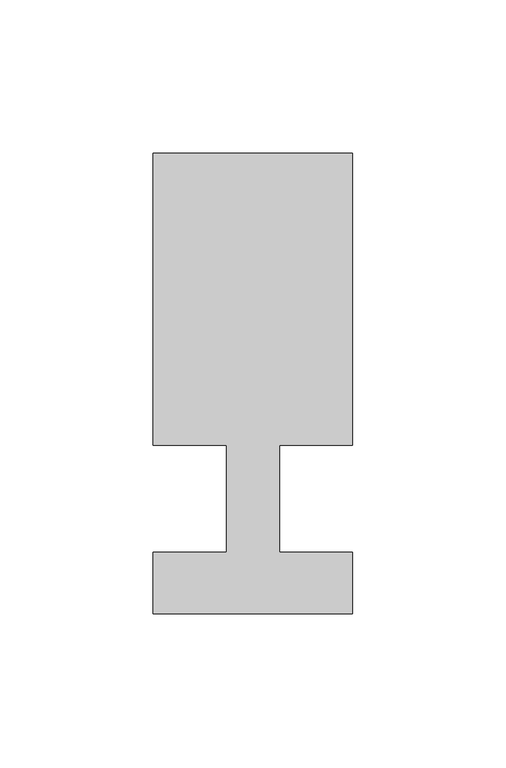
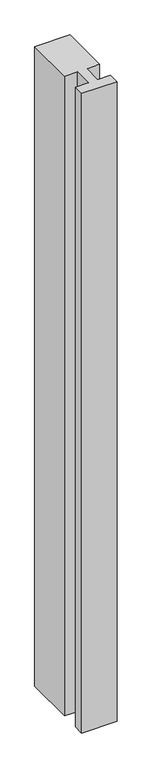
"""IFC4 building model written with IfcOpenShell, lengths in millimetres: member geometry."""

import ifcopenshell
import ifcopenshell.guid

model = None  # the IFC model being written
_history = None  # IfcOwnerHistory: only IFC2X3 demands one
_inside = {}  # id of a spatial element -> (the spatial element, [elements in it])
_under = {}  # id of a project, library or spatial element -> (it, [spatial elements below it])
_declared = {}  # id of a project -> (the project, [libraries it declares])
_typed = {}  # id of a type object -> (the type object, [elements of that type])
_made_of = {}  # id of a material, layer set ... -> (it, [elements and type objects made of it])


def new_model(schema):
    """Start an empty IFC model of exactly this schema.

    Asked for "IFC4X3", IfcOpenShell would pick the latest addendum, in which some entities
    have other attributes; the version numbers below select the first issue.
    IFC2X3 requires an IfcOwnerHistory on every rooted entity: one is made here for all.
    """
    global model, _history
    if schema == "IFC4X3":
        model = ifcopenshell.file(schema_version=(4, 3, 0, 0))
    else:
        model = ifcopenshell.file(schema=schema)
    _inside.clear()
    _under.clear()
    _declared.clear()
    _typed.clear()
    _made_of.clear()
    _history = None
    if model.schema == "IFC2X3":
        org = make("IfcOrganization", Name="unknown")
        user = make(
            "IfcPersonAndOrganization",
            ThePerson=make("IfcPerson", FamilyName="unknown"),
            TheOrganization=org,
        )
        app = make(
            "IfcApplication",
            ApplicationDeveloper=org,
            Version="unknown",
            ApplicationFullName="unknown",
            ApplicationIdentifier="unknown",
        )
        _history = make(
            "IfcOwnerHistory",
            OwningUser=user,
            OwningApplication=app,
            ChangeAction="ADDED",
            CreationDate=0,
        )
    return model


def make(cls, **values):
    """One entity of the class cls with the attributes given. An attribute that is None is left unset."""
    return model.create_entity(
        cls, **{name: value for name, value in values.items() if value is not None}
    )


def rooted(cls, **values):
    """An entity with a GlobalId (a new one), such as an element, a storey or a relation."""
    return make(cls, GlobalId=ifcopenshell.guid.new(), OwnerHistory=_history, **values)


def si_unit(unit_type, name, prefix=None):
    """IfcSIUnit, for example si_unit("LENGTHUNIT", "METRE", prefix="MILLI")."""
    return make("IfcSIUnit", UnitType=unit_type, Prefix=prefix, Name=name)


def assignment(units):
    """IfcUnitAssignment: the units of a project."""
    return None if units is None else make("IfcUnitAssignment", Units=units)


def point(xyz):
    """IfcCartesianPoint."""
    return None if xyz is None else make("IfcCartesianPoint", Coordinates=xyz)


def direction(xyz):
    """IfcDirection."""
    return None if xyz is None else make("IfcDirection", DirectionRatios=xyz)


def frame(location, z_axis=None, x_axis=None):
    """IfcAxis2Placement3D, a coordinate frame: its origin and axes. An axis left out is left unset."""
    return make(
        "IfcAxis2Placement3D",
        Location=point(location),
        Axis=direction(z_axis),
        RefDirection=direction(x_axis),
    )


def origin():
    """The frame at (0, 0, 0) with its axes left unset."""
    return frame((0.0, 0.0, 0.0))


def place(relative_to, where):
    """IfcLocalPlacement: puts the frame where relative to a parent placement (None: the world)."""
    return make(
        "IfcLocalPlacement", PlacementRelTo=relative_to, RelativePlacement=where
    )


def context(
    kind, dimensions, precision=None, world=None, true_north=None, identifier=None
):
    """IfcGeometricRepresentationContext, for example the 3D "Model" context."""
    return make(
        "IfcGeometricRepresentationContext",
        ContextIdentifier=identifier,
        ContextType=kind,
        CoordinateSpaceDimension=dimensions,
        Precision=precision,
        WorldCoordinateSystem=world,
        TrueNorth=true_north,
    )


def project(units=None, contexts=None):
    """IfcProject with its units and contexts."""
    return rooted(
        "IfcProject",
        Name="project",
        RepresentationContexts=contexts,
        UnitsInContext=assignment(units),
    )


def spatial(cls, under=None, at=None, **own):
    """A site, building, storey or space (cls), placed at a placement, below another one or the project."""
    s = rooted(cls, ObjectPlacement=at, **own)
    if under is not None:
        _under.setdefault(under.id(), (under, []))[1].append(s)
    return s


def polyline(points):
    """IfcPolyline through the points."""
    return make("IfcPolyline", Points=[point(p) for p in points])


def outline(outer, holes=None, kind="AREA"):
    """IfcArbitraryClosedProfileDef: a profile drawn as a closed curve; with holes, ...WithVoids."""
    if holes is None:
        return make("IfcArbitraryClosedProfileDef", ProfileType=kind, OuterCurve=outer)
    return make(
        "IfcArbitraryProfileDefWithVoids",
        ProfileType=kind,
        OuterCurve=outer,
        InnerCurves=holes,
    )


def extrude(swept, where, along, depth):
    """IfcExtrudedAreaSolid: the profile swept, set in the frame where, extruded along a direction by depth."""
    return make(
        "IfcExtrudedAreaSolid",
        SweptArea=swept,
        Position=where,
        ExtrudedDirection=direction(along),
        Depth=depth,
    )


def shape(context_of_items, identifier, shape_type, items):
    """IfcShapeRepresentation: the items that make up one representation, for example the "Body"."""
    return make(
        "IfcShapeRepresentation",
        ContextOfItems=context_of_items,
        RepresentationIdentifier=identifier,
        RepresentationType=shape_type,
        Items=items,
    )


def source(mapping_origin, context_of_items, identifier, shape_type, items):
    """IfcRepresentationMap: a shape defined once, which mapped items show again and again."""
    return make(
        "IfcRepresentationMap",
        MappingOrigin=mapping_origin,
        MappedRepresentation=shape(context_of_items, identifier, shape_type, items),
    )


def transform(
    local_origin,
    x_axis=None,
    y_axis=None,
    z_axis=None,
    scale=None,
    scale2=None,
    scale3=None,
    uniform=True,
):
    """IfcCartesianTransformationOperator3D, or its non-uniform kind. x_axis, y_axis, z_axis: its Axis1, 2, 3."""
    if uniform:
        return make(
            "IfcCartesianTransformationOperator3D",
            Axis1=direction(x_axis),
            Axis2=direction(y_axis),
            LocalOrigin=point(local_origin),
            Scale=scale,
            Axis3=direction(z_axis),
        )
    return make(
        "IfcCartesianTransformationOperator3DnonUniform",
        Axis1=direction(x_axis),
        Axis2=direction(y_axis),
        LocalOrigin=point(local_origin),
        Scale=scale,
        Axis3=direction(z_axis),
        Scale2=scale2,
        Scale3=scale3,
    )


def mapped(mapping_source, mapping_target):
    """IfcMappedItem: shows the shape of a source again, moved by a transform."""
    return make(
        "IfcMappedItem", MappingSource=mapping_source, MappingTarget=mapping_target
    )


def made_of(thing, what):
    """Note that an element or type object is made of a material, layer set ...; save() writes the relation."""
    if what is not None:
        _made_of.setdefault(what.id(), (what, []))[1].append(thing)
    return thing


def element(
    cls,
    number,
    at=None,
    inside=None,
    cuts=None,
    type_object=None,
    material=None,
    context=None,
    identifier="Body",
    shape_type=None,
    held_by="IfcProductDefinitionShape",
    body=None,
    shapes=None,
    **own,
):
    """One element of the class cls, such as IfcWall. Its Tag is "e" and its number.

    at: its placement. inside: the storey or other place that contains it. cuts: it is an
    opening in that element (IfcRelVoidsElement). A single representation is given by context,
    identifier, shape_type and body (its items); several are given by shapes. held_by: the class
    of the entity that holds the representations. save() writes the other relations.
    """
    e = rooted(cls, Tag="e%d" % number, ObjectPlacement=at, **own)
    if body is not None:
        shapes = [shape(context, identifier, shape_type, body)]
    if shapes is not None:
        e.Representation = make(held_by, Representations=shapes)
    if inside is not None:
        _inside.setdefault(inside.id(), (inside, []))[1].append(e)
    if cuts is not None:
        rooted(
            "IfcRelVoidsElement", RelatingBuildingElement=cuts, RelatedOpeningElement=e
        )
    if type_object is not None:
        _typed.setdefault(type_object.id(), (type_object, []))[1].append(e)
    return made_of(e, material)


def aggregate(whole, parts):
    """IfcRelAggregates: a whole, such as a stair, and the parts it consists of."""
    return rooted("IfcRelAggregates", RelatingObject=whole, RelatedObjects=parts)


def save(model, path):
    """Write the relations noted so far, then the file.

    IfcRelAggregates (storeys below a building ...), IfcRelContainedInSpatialStructure (elements
    in a storey), IfcRelDefinesByType, IfcRelAssociatesMaterial and IfcRelDeclares: one each for
    every whole, place, type object, material and project.
    """
    for whole, parts in _under.values():
        aggregate(whole, parts)
    for where, things in _inside.values():
        rooted(
            "IfcRelContainedInSpatialStructure",
            RelatedElements=things,
            RelatingStructure=where,
        )
    for kind, things in _typed.values():
        rooted("IfcRelDefinesByType", RelatedObjects=things, RelatingType=kind)
    for what, things in _made_of.values():
        rooted("IfcRelAssociatesMaterial", RelatedObjects=things, RelatingMaterial=what)
    for by, libraries in _declared.values():
        rooted("IfcRelDeclares", RelatingContext=by, RelatedDefinitions=libraries)
    model.write(path)


def member_424a2ecc(model_context):
    return source(origin(), model_context, "Body", "SweptSolid", [
        extrude(outline(polyline([(-65.0, -37.0), (-65.0, -17.0), (-41.1875, -17.0), (-41.1875, 18.0), (-65.0, 18.0), (-65.0, 113.0), (0.0, 113.0), (0.0, 18.0), (-23.8125, 18.0), (-23.8125, -17.0), (0.0, -17.0), (0.0, -37.0), (-65.0, -37.0)])), frame((0.0, 0.0, -1246.6666667), z_axis=(0.0, 0.0, 1.0), x_axis=(1.0, 0.0, 0.0)), (0.0, 0.0, 1.0), 1246.6666667),
    ])


if __name__ == "__main__":
    model = new_model("IFC4")
    model_context = context("Model", 3, world=origin())
    ifc_project = project(units=[si_unit("LENGTHUNIT", "METRE", prefix="MILLI")], contexts=[model_context])
    site = spatial("IfcSite", under=ifc_project)
    building = spatial("IfcBuilding", under=site)
    placement = place(None, origin())
    member_shape = member_424a2ecc(model_context)
    element("IfcMember", 1, at=placement, inside=building, context=model_context, shape_type="MappedRepresentation", body=[
        mapped(member_shape, transform((0.0, 0.0, 0.0), x_axis=(1.0, 0.0, 0.0), y_axis=(0.0, 1.0, 0.0), z_axis=(0.0, 0.0, 1.0))),
    ])
    save(model, "model.ifc")
